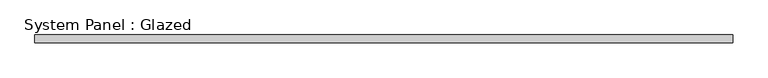
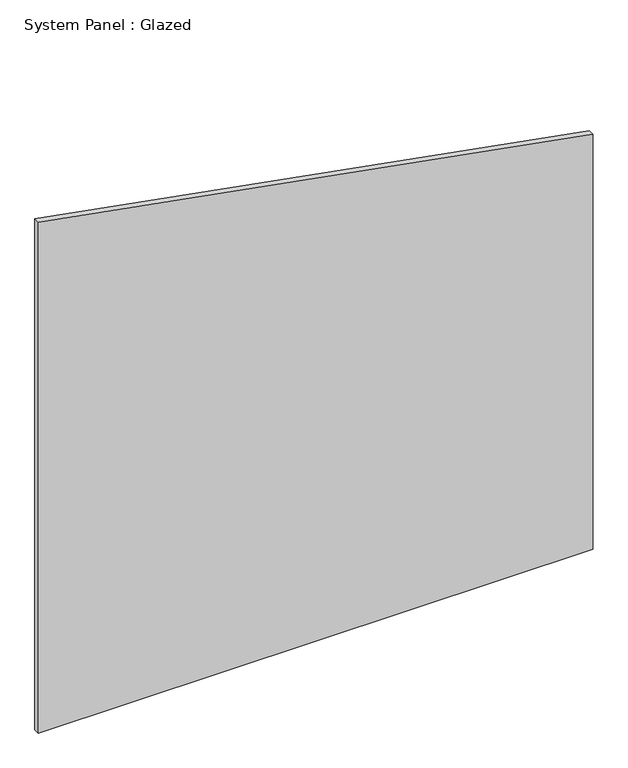
"""IFC4 building model written with IfcOpenShell, lengths in millimetres: plate geometry, System Panel : Glazed."""

from ifc_helpers import new_model, si_unit, frame, origin, place, context, project, spatial, polyline, outline, extrude, source, transform, mapped, element, save


def system_panel_glazed_f6c58d04(model_context):
    return source(origin(), model_context, "Body", "SweptSolid", [
        extrude(outline(polyline([(0.0, -1141.6340625), (0.0, 1141.6340625), (1805.2822075, 1141.6340625), (2223.184649, -1141.6340625), (0.0, -1141.6340625)])), frame((0.0, 24.5, 0.0), z_axis=(0.0, 1.0, 0.0), x_axis=(0.0, 0.0, 1.0)), (0.0, 0.0, 1.0), 25.0),
    ])


if __name__ == "__main__":
    model = new_model("IFC4")
    model_context = context("Model", 3, world=origin())
    ifc_project = project(units=[si_unit("LENGTHUNIT", "METRE", prefix="MILLI")], contexts=[model_context])
    site = spatial("IfcSite", under=ifc_project)
    building = spatial("IfcBuilding", under=site)
    placement = place(None, origin())
    system_panel_glazed_shape = system_panel_glazed_f6c58d04(model_context)
    element("IfcPlate", 1, ObjectType="System Panel : Glazed", at=placement, inside=building, context=model_context, shape_type="MappedRepresentation", body=[
        mapped(system_panel_glazed_shape, transform((0.0, 0.0, 0.0), x_axis=(1.0, 0.0, 0.0), y_axis=(0.0, 1.0, 0.0), z_axis=(0.0, 0.0, 1.0))),
    ])
    save(model, "model.ifc")
